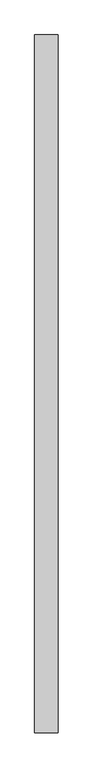
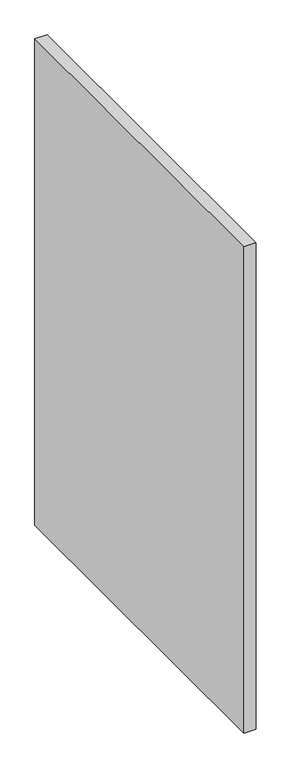
"""IFC4 building model written with IfcOpenShell, lengths in millimetres: proxy geometry."""

from ifc_helpers import new_model, si_unit, origin, origin_with_axes, place, context, project, spatial, polyline, outline, extrude, source, transform, mapped, element, save


def generic_models_43726883(model_context):
    return source(origin(), model_context, "Body", "SweptSolid", [
        extrude(outline(polyline([(80.0, 2400.0), (80.0, 0.0), (0.0, 0.0), (0.0, 2400.0), (80.0, 2400.0)])), origin_with_axes(), (0.0, 0.0, 1.0), 3400.0),
    ])


if __name__ == "__main__":
    model = new_model("IFC4")
    model_context = context("Model", 3, world=origin())
    ifc_project = project(units=[si_unit("LENGTHUNIT", "METRE", prefix="MILLI")], contexts=[model_context])
    site = spatial("IfcSite", under=ifc_project)
    building = spatial("IfcBuilding", under=site)
    placement = place(None, origin())
    generic_models_shape = generic_models_43726883(model_context)
    element("IfcBuildingElementProxy", 1, Name="Generic Models", at=placement, inside=building, context=model_context, shape_type="MappedRepresentation", body=[
        mapped(generic_models_shape, transform((0.0, 0.0, 0.0), x_axis=(1.0, 0.0, 0.0), y_axis=(0.0, 1.0, 0.0), z_axis=(0.0, 0.0, 1.0))),
    ])
    save(model, "model.ifc")
